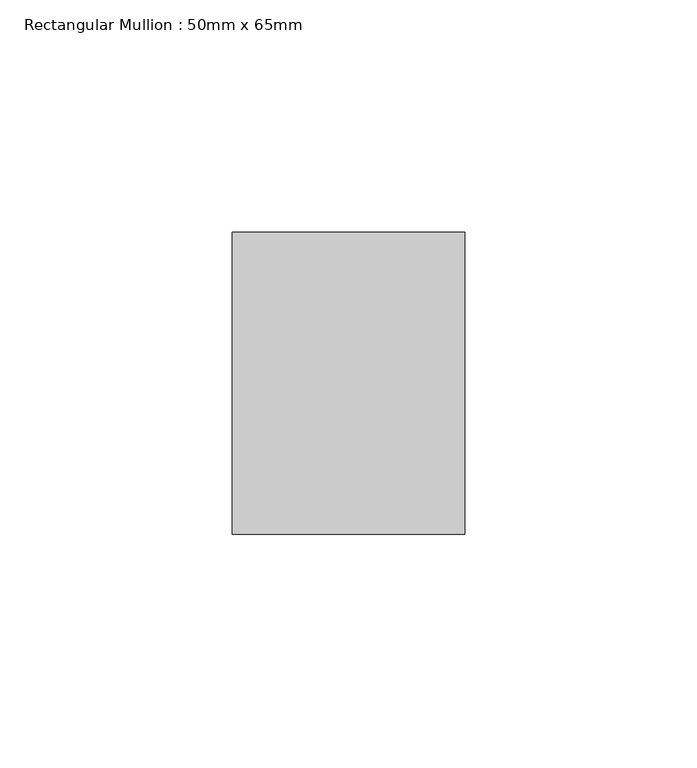
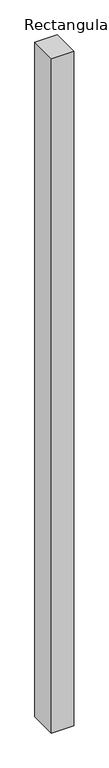
"""IFC4 building model written with IfcOpenShell, lengths in millimetres: member geometry, Rectangular Mullion : 50mm x 65mm."""

from ifc_helpers import new_model, si_unit, frame, origin, place, context, project, spatial, polyline, outline, extrude, source, transform, mapped, element, save


def rectangular_mullion_50mm_x_65mm_bc6451a5(model_context):
    return source(origin(), model_context, "Body", "SweptSolid", [
        extrude(outline(polyline([(25.0, 32.5), (25.0, -32.5), (-25.0, -32.5), (-25.0, 32.5), (25.0, 32.5)])), frame((0.0, 0.0, -1612.9640999), z_axis=(0.0, 0.0, 1.0), x_axis=(1.0, 0.0, 0.0)), (0.0, 0.0, 1.0), 1612.9640999),
    ])


if __name__ == "__main__":
    model = new_model("IFC4")
    model_context = context("Model", 3, world=origin())
    ifc_project = project(units=[si_unit("LENGTHUNIT", "METRE", prefix="MILLI")], contexts=[model_context])
    site = spatial("IfcSite", under=ifc_project)
    building = spatial("IfcBuilding", under=site)
    placement = place(None, origin())
    rectangular_mullion_50mm_x_65mm_shape = rectangular_mullion_50mm_x_65mm_bc6451a5(model_context)
    element("IfcMember", 1, ObjectType="Rectangular Mullion : 50mm x 65mm", at=placement, inside=building, context=model_context, shape_type="MappedRepresentation", body=[
        mapped(rectangular_mullion_50mm_x_65mm_shape, transform((0.0, 0.0, 0.0), x_axis=(1.0, 0.0, 0.0), y_axis=(0.0, 1.0, 0.0), z_axis=(0.0, 0.0, 1.0))),
    ])
    save(model, "model.ifc")
